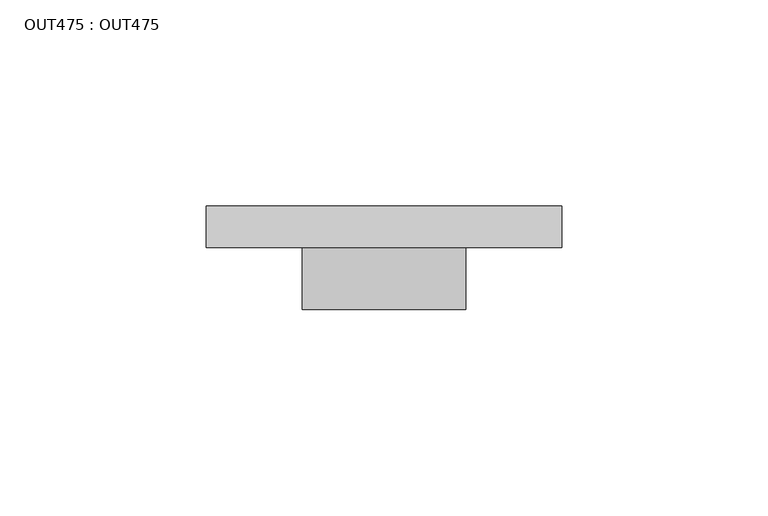
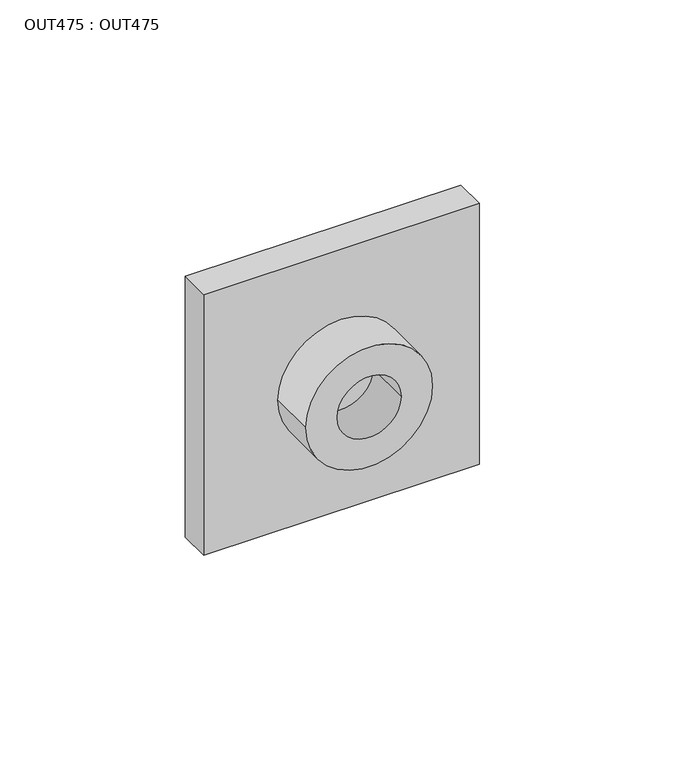
"""IFC4 building model written with IfcOpenShell, lengths in millimetres: proxy geometry, OUT475 : OUT475."""

from ifc_helpers import new_model, si_unit, point, frame, origin, origin_2d, place, context, project, spatial, polyline, circle_curve, trimmed, segment, composite_curve, outline, extrude, source, transform, mapped, element, save


def out475_out475_9358a520(model_context):
    return source(origin(), model_context, "Body", "SweptSolid", [
        extrude(outline(composite_curve([segment(trimmed(circle_curve(origin_2d(), 19.7684905), [point((0.0, -19.7684905))], [point((0.0, 19.7684905))], False, "CARTESIAN"), True, "CONTINUOUS"), segment(trimmed(circle_curve(origin_2d(), 19.7684905), [point((0.0, 19.7684905))], [point((0.0, -19.7684905))], False, "CARTESIAN"), True, "CONTINUOUS")], self_intersect=False), holes=[composite_curve([segment(trimmed(circle_curve(origin_2d(), 10.0000005), [point((0.0, -10.0000005))], [point((0.0, 10.0000005))], True, "CARTESIAN"), True, "CONTINUOUS"), segment(trimmed(circle_curve(origin_2d(), 10.0000005), [point((0.0, 10.0000005))], [point((0.0, -10.0000005))], True, "CARTESIAN"), True, "CONTINUOUS")], self_intersect=False)]), frame((0.0, -25.0000002, 0.0), z_axis=(0.0, 1.0, 0.0), x_axis=(0.0, 0.0, 1.0)), (0.0, 0.0, 1.0), 14.9999997),
        extrude(outline(polyline([(43.0000007, 0.0), (43.0000007, -10.0000005), (-43.0000007, -10.0000005), (-43.0000007, 0.0), (43.0000007, 0.0)])), frame((0.0, 0.0, -43.0000007), z_axis=(0.0, 0.0, 1.0), x_axis=(1.0, 0.0, 0.0)), (0.0, 0.0, 1.0), 86.0000014),
    ])


if __name__ == "__main__":
    model = new_model("IFC4")
    model_context = context("Model", 3, world=origin())
    ifc_project = project(units=[si_unit("LENGTHUNIT", "METRE", prefix="MILLI")], contexts=[model_context])
    site = spatial("IfcSite", under=ifc_project)
    building = spatial("IfcBuilding", under=site)
    placement = place(None, origin())
    out475_out475_shape = out475_out475_9358a520(model_context)
    element("IfcBuildingElementProxy", 1, Name="OUT475 : OUT475", ObjectType="OUT475 : OUT475", at=placement, inside=building, context=model_context, shape_type="MappedRepresentation", body=[
        mapped(out475_out475_shape, transform((0.0, 0.0, 0.0), x_axis=(1.0, 0.0, 0.0), y_axis=(0.0, 1.0, 0.0), z_axis=(0.0, 0.0, 1.0))),
    ])
    save(model, "model.ifc")
